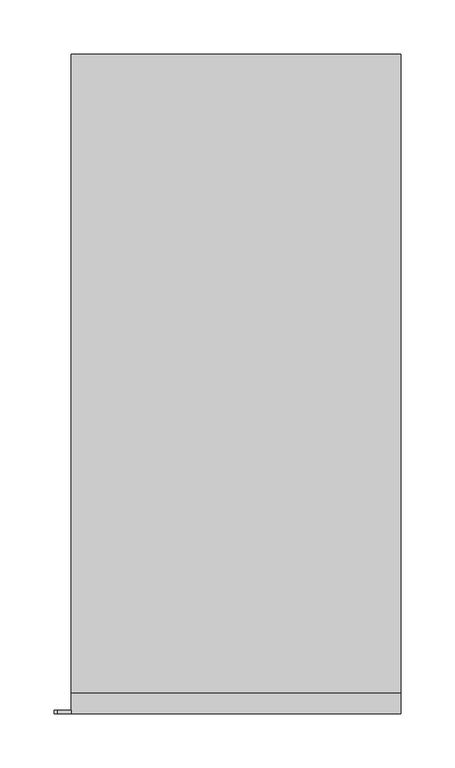
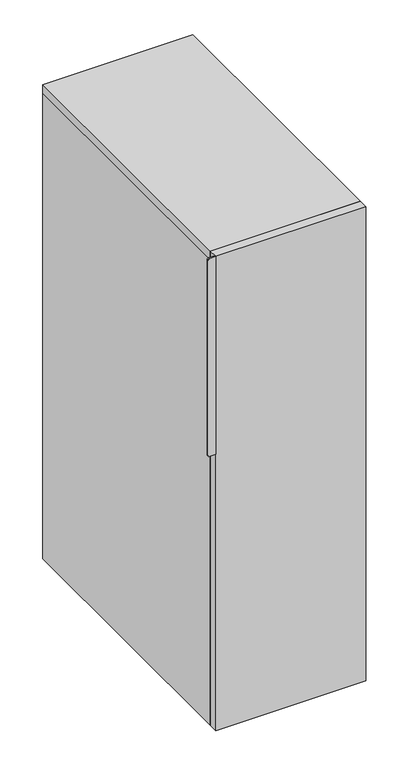
"""IFC4 building model written with IfcOpenShell, lengths in millimetres: furniture geometry."""

from ifc_helpers import new_model, si_unit, point, frame, frame_2d, origin, place, context, project, spatial, polyline, circle_curve, trimmed, segment, composite_curve, outline, extrude, source, transform, mapped, element, save


def furniture_61662336(model_context):
    return source(origin(), model_context, "Body", "SweptSolid", [
        extrude(outline(composite_curve([segment(polyline([(1028.7, -152.4), (1028.7, -165.1)]), True, "CONTINUOUS"), segment(trimmed(circle_curve(frame_2d((1025.525, -165.1)), 3.175), [point((1028.7, -165.1))], [point((1025.525, -168.275))], False, "CARTESIAN"), True, "CONTINUOUS"), segment(polyline([(1025.525, -168.275), (606.425, -168.275)]), True, "CONTINUOUS"), segment(trimmed(circle_curve(frame_2d((606.425, -165.1)), 3.175), [point((606.425, -168.275))], [point((603.25, -165.1))], False, "CARTESIAN"), True, "CONTINUOUS"), segment(polyline([(603.25, -165.1), (603.25, -152.4), (1028.7, -152.4)]), True, "CONTINUOUS")], self_intersect=False)), frame((0.0, -609.6, 0.0), z_axis=(0.0, 1.0, 0.0), x_axis=(0.0, 0.0, 1.0)), (0.0, 0.0, 1.0), 3.175),
        extrude(outline(polyline([(152.4, -609.6), (-152.4, -609.6), (-152.4, -590.55), (152.4, -590.55), (152.4, -609.6)])), frame((0.0, 0.0, 9.525), z_axis=(0.0, 0.0, 1.0), x_axis=(1.0, 0.0, 0.0)), (0.0, 0.0, 1.0), 1019.175),
        extrude(outline(polyline([(152.4, 0.0), (152.4, -590.55), (-152.4, -590.55), (-152.4, 0.0), (152.4, 0.0)])), frame((0.0, 0.0, 1009.65), z_axis=(0.0, 0.0, 1.0), x_axis=(1.0, 0.0, 0.0)), (0.0, 0.0, 1.0), 19.05),
        extrude(outline(polyline([(133.35, -19.05), (133.35, -590.55), (-133.35, -590.55), (-133.35, -19.05), (133.35, -19.05)])), frame((0.0, 0.0, 9.525), z_axis=(0.0, 0.0, 1.0), x_axis=(1.0, 0.0, 0.0)), (0.0, 0.0, 1.0), 19.05),
        extrude(outline(polyline([(152.4, 0.0), (152.4, -590.55), (133.35, -590.55), (133.35, -19.05), (-133.35, -19.05), (-133.35, -590.55), (-152.4, -590.55), (-152.4, 0.0), (152.4, 0.0)])), frame((0.0, 0.0, 9.525), z_axis=(0.0, 0.0, 1.0), x_axis=(1.0, 0.0, 0.0)), (0.0, 0.0, 1.0), 1000.125),
    ])


if __name__ == "__main__":
    model = new_model("IFC4")
    model_context = context("Model", 3, world=origin())
    ifc_project = project(units=[si_unit("LENGTHUNIT", "METRE", prefix="MILLI")], contexts=[model_context])
    site = spatial("IfcSite", under=ifc_project)
    building = spatial("IfcBuilding", under=site)
    placement = place(None, origin())
    furniture_shape = furniture_61662336(model_context)
    element("IfcFurniture", 1, at=placement, inside=building, context=model_context, shape_type="MappedRepresentation", body=[
        mapped(furniture_shape, transform((0.0, 0.0, 0.0), x_axis=(1.0, 0.0, 0.0), y_axis=(0.0, 1.0, 0.0), z_axis=(0.0, 0.0, 1.0))),
    ])
    save(model, "model.ifc")
